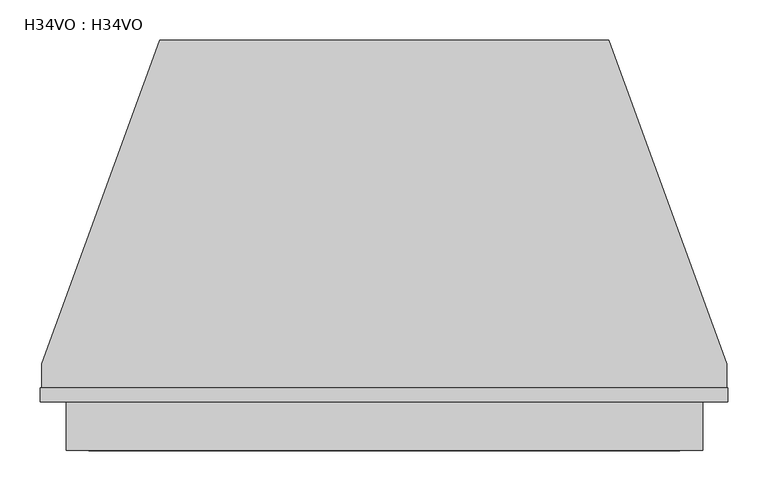
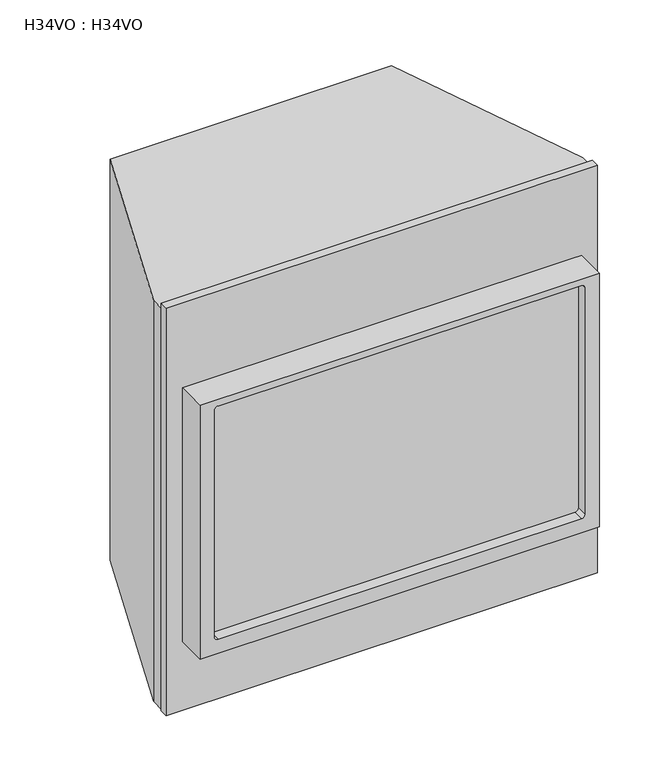
"""IFC4 building model written with IfcOpenShell, lengths in millimetres: proxy geometry, H34VO : H34VO."""

from ifc_helpers import new_model, si_unit, frame, origin, origin_with_axes, place, context, project, spatial, polyline, circle_curve, outline, extrude, source, transform, mapped, element, save
from ifc_brep_helpers import plane_surface, revolved_surface, advanced_brep


def h34vo_h34vo_9b27781f(model_context):
    return source(origin(), model_context, "Body", "SolidModel", [
        advanced_brep(
        [(397.6497054, -17.3735995, 678.7083149), (-397.6406157, -17.3735995, 678.7083149), (-397.6406157, -78.1303998, 678.7083149), (397.6497054, -78.1303998, 678.7083149), (397.6497054, -17.3735995, 144.0265313), (397.6497054, -78.1303998, 144.0265313), (-397.6406157, -78.1303998, 144.0265313), (-397.6406157, -17.3735995, 144.0265313), (-362.0707541, -78.1303998, 173.8912761), (-369.0701517, -78.1303998, 180.876255), (-369.0701574, -78.1303998, 657.4437613), (-362.0682109, -78.1303998, 664.4287407), (362.0682144, -78.1303998, 664.4287407), (369.0701551, -78.1303998, 657.443732), (369.0701574, -78.1303998, 180.8762613), (362.0707576, -78.1303998, 173.8912761), (-369.0701517, -55.7707902, 180.876255), (-362.0707541, -55.7707902, 173.8912761), (362.0707576, -55.7707902, 173.8912761), (369.0701551, -55.7707902, 180.8762613), (369.0701574, -55.7707902, 657.443732), (362.0682144, -55.7707902, 664.4287407), (-362.0682109, -55.7707902, 664.4287407), (-369.0701517, -55.7707902, 657.4437613)],
        [
            (0, 1),
            (1, 2),
            (2, 3),
            (3, 0),
            (4, 5),
            (5, 6),
            (6, 7),
            (7, 4),
            (0, 4),
            (7, 1),
            (6, 2),
            (5, 3),
            (8, 9, circle_curve(frame((-362.0851517, -78.1303998, 180.8762613), z_axis=(0.0, 1.0, 0.0), x_axis=(1.0, 0.0, 0.0)), 6.985)),
            (9, 10),
            (10, 11, circle_curve(frame((-362.0851517, -78.1303998, 657.4437613), z_axis=(0.0, 1.0, 0.0), x_axis=(1.0, 0.0, 0.0)), 6.985)),
            (11, 12),
            (12, 13, circle_curve(frame((362.0851551, -78.1303998, 657.4437613), z_axis=(0.0, 1.0, 0.0), x_axis=(1.0, 0.0, 0.0)), 6.985)),
            (13, 14),
            (14, 15, circle_curve(frame((362.0851551, -78.1303998, 180.8762613), z_axis=(0.0, 1.0, 0.0), x_axis=(1.0, 0.0, 0.0)), 6.985)),
            (15, 8),
            (16, 17, circle_curve(frame((-362.0851517, -55.7707902, 180.8762613), z_axis=(0.0, -1.0, 0.0), x_axis=(1.0, 0.0, 0.0)), 6.985)),
            (17, 18),
            (18, 19, circle_curve(frame((362.0851551, -55.7707902, 180.8762613), z_axis=(0.0, -1.0, 0.0), x_axis=(1.0, 0.0, 0.0)), 6.985)),
            (19, 20),
            (20, 21, circle_curve(frame((362.0851551, -55.7707902, 657.4437613), z_axis=(0.0, -1.0, 0.0), x_axis=(1.0, 0.0, 0.0)), 6.985)),
            (21, 22),
            (22, 23, circle_curve(frame((-362.0851517, -55.7707902, 657.4437613), z_axis=(0.0, -1.0, 0.0), x_axis=(1.0, 0.0, 0.0)), 6.985)),
            (23, 16),
            (16, 9),
            (8, 17),
            (15, 18),
            (14, 19),
            (13, 20),
            (12, 21),
            (11, 22),
            (10, 23),
        ],
        [
            plane_surface(frame((-430.2633107, -17.3735995, 678.7083149), z_axis=(0.0, 0.0, 1.0), x_axis=(-1.0, 0.0, 0.0))),
            plane_surface(frame((-430.2633107, -17.3735995, 144.0265313), z_axis=(0.0, 0.0, -1.0), x_axis=(1.0, 0.0, 0.0))),
            plane_surface(frame((397.6497054, -17.3735995, 678.7083149), z_axis=(0.0, 1.0, 0.0), x_axis=(0.0, 0.0, -1.0))),
            plane_surface(frame((-397.6406157, -17.3735995, 678.7083149), z_axis=(-1.0, 0.0, 0.0), x_axis=(0.0, 0.0, -1.0))),
            plane_surface(frame((-397.6406157, -78.1303998, 678.7083149), z_axis=(0.0, -1.0, 0.0), x_axis=(0.0, 0.0, -1.0))),
            plane_surface(frame((397.6497054, -78.1303998, 678.7083149), z_axis=(1.0, 0.0, 0.0), x_axis=(0.0, 0.0, -1.0))),
            plane_surface(frame((-355.1001517, -55.7707902, 180.8762613), z_axis=(0.0, -1.0, 0.0), x_axis=(0.0, 0.0, -1.0))),
            revolved_surface(polyline([(-355.10015169999997, -78.1303998, 180.8762613), (-355.10015169999997, -55.7707902, 180.8762613)]), (-362.0851517, -55.7707902, 180.8762613), (0.0, -1.0, 0.0)),
            plane_surface(frame((-362.0707541, -468.3125, 173.8912761), z_axis=(0.0, 0.0, 1.0), x_axis=(0.0, 1.0, 0.0))),
            revolved_surface(polyline([(369.0701551, -78.1303998, 180.8762613), (369.0701551, -55.7707902, 180.8762613)]), (362.0851551, -55.7707902, 180.8762613), (0.0, -1.0, 0.0)),
            plane_surface(frame((369.0701574, -468.3125, 180.8762613), z_axis=(-1.0, 0.0, 0.0), x_axis=(0.0, 1.0, 0.0))),
            revolved_surface(polyline([(369.0701551, -78.1303998, 657.4437613), (369.0701551, -55.7707902, 657.4437613)]), (362.0851551, -55.7707902, 657.4437613), (0.0, -1.0, 0.0)),
            plane_surface(frame((362.0682144, -468.3125, 664.4287407), z_axis=(0.0, 0.0, -1.0), x_axis=(0.0, 1.0, 0.0))),
            revolved_surface(polyline([(-355.10015169999997, -78.1303998, 657.4437613), (-355.10015169999997, -55.7707902, 657.4437613)]), (-362.0851517, -55.7707902, 657.4437613), (0.0, -1.0, 0.0)),
            plane_surface(frame((-369.0701574, -468.3125, 657.4437613), z_axis=(1.0, 0.0, 0.0), x_axis=(0.0, 1.0, 0.0))),
        ],
        [
            (0, [[1, 2, 3, 4]]),
            (1, [[5, 6, 7, 8]]),
            (2, [[-1, 9, -8, 10]]),
            (3, [[-2, -10, -7, 11]]),
            (4, [[-3, -11, -6, 12], [13, 14, 15, 16, 17, 18, 19, 20]]),
            (5, [[-4, -12, -5, -9]]),
            (6, [[21, 22, 23, 24, 25, 26, 27, 28]]),
            (7, [[-21, 29, -13, 30]]),
            (8, [[-22, -30, -20, 31]]),
            (9, [[-23, -31, -19, 32]]),
            (10, [[-24, -32, -18, 33]]),
            (11, [[-25, -33, -17, 34]]),
            (12, [[-26, -34, -16, 35]]),
            (13, [[-27, -35, -15, 36]]),
            (14, [[-28, -36, -14, -29]]),
        ],
    ),
        extrude(outline(polyline([(429.399699, 0.0), (429.399699, -17.3735995), (-430.2633107, -17.3735995), (-430.2633107, 0.0), (429.399699, 0.0)])), origin_with_axes(), (0.0, 0.0, 1.0), 857.4669361),
        extrude(outline(polyline([(-280.4422225, 435.307743), (280.4422225, 435.307743), (427.8376102, 30.3422504), (427.8376102, 0.0), (-427.8376102, 0.0), (-427.8376102, 30.3422504), (-280.4422225, 435.307743)])), origin_with_axes(), (0.0, 0.0, 1.0), 844.4595337),
    ])


if __name__ == "__main__":
    model = new_model("IFC4")
    model_context = context("Model", 3, world=origin())
    ifc_project = project(units=[si_unit("LENGTHUNIT", "METRE", prefix="MILLI")], contexts=[model_context])
    site = spatial("IfcSite", under=ifc_project)
    building = spatial("IfcBuilding", under=site)
    placement = place(None, origin())
    h34vo_h34vo_shape = h34vo_h34vo_9b27781f(model_context)
    element("IfcBuildingElementProxy", 1, Name="H34VO : H34VO", ObjectType="H34VO : H34VO", at=placement, inside=building, context=model_context, shape_type="MappedRepresentation", body=[
        mapped(h34vo_h34vo_shape, transform((0.0, 0.0, 0.0), x_axis=(1.0, 0.0, 0.0), y_axis=(0.0, 1.0, 0.0), z_axis=(0.0, 0.0, 1.0))),
    ])
    save(model, "model.ifc")
